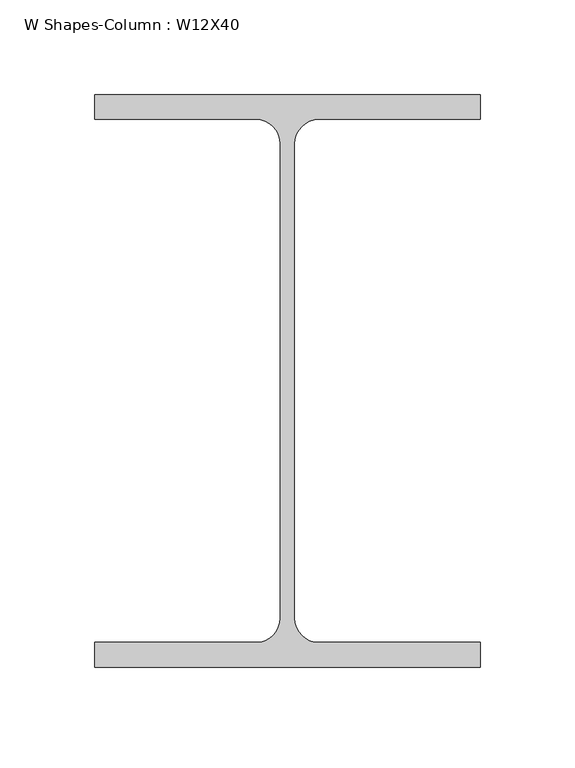
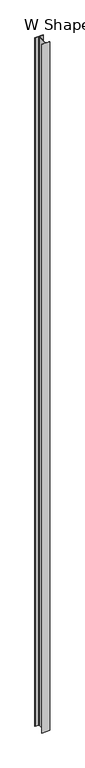
"""IFC4 building model written with IfcOpenShell, lengths in millimetres: column geometry, W Shapes-Column : W12X40."""

import ifcopenshell
import ifcopenshell.guid

model = None  # the IFC model being written
_history = None  # IfcOwnerHistory: only IFC2X3 demands one
_inside = {}  # id of a spatial element -> (the spatial element, [elements in it])
_under = {}  # id of a project, library or spatial element -> (it, [spatial elements below it])
_declared = {}  # id of a project -> (the project, [libraries it declares])
_typed = {}  # id of a type object -> (the type object, [elements of that type])
_made_of = {}  # id of a material, layer set ... -> (it, [elements and type objects made of it])


def new_model(schema):
    """Start an empty IFC model of exactly this schema.

    Asked for "IFC4X3", IfcOpenShell would pick the latest addendum, in which some entities
    have other attributes; the version numbers below select the first issue.
    IFC2X3 requires an IfcOwnerHistory on every rooted entity: one is made here for all.
    """
    global model, _history
    if schema == "IFC4X3":
        model = ifcopenshell.file(schema_version=(4, 3, 0, 0))
    else:
        model = ifcopenshell.file(schema=schema)
    _inside.clear()
    _under.clear()
    _declared.clear()
    _typed.clear()
    _made_of.clear()
    _history = None
    if model.schema == "IFC2X3":
        org = make("IfcOrganization", Name="unknown")
        user = make(
            "IfcPersonAndOrganization",
            ThePerson=make("IfcPerson", FamilyName="unknown"),
            TheOrganization=org,
        )
        app = make(
            "IfcApplication",
            ApplicationDeveloper=org,
            Version="unknown",
            ApplicationFullName="unknown",
            ApplicationIdentifier="unknown",
        )
        _history = make(
            "IfcOwnerHistory",
            OwningUser=user,
            OwningApplication=app,
            ChangeAction="ADDED",
            CreationDate=0,
        )
    return model


def make(cls, **values):
    """One entity of the class cls with the attributes given. An attribute that is None is left unset."""
    return model.create_entity(
        cls, **{name: value for name, value in values.items() if value is not None}
    )


def rooted(cls, **values):
    """An entity with a GlobalId (a new one), such as an element, a storey or a relation."""
    return make(cls, GlobalId=ifcopenshell.guid.new(), OwnerHistory=_history, **values)


def si_unit(unit_type, name, prefix=None):
    """IfcSIUnit, for example si_unit("LENGTHUNIT", "METRE", prefix="MILLI")."""
    return make("IfcSIUnit", UnitType=unit_type, Prefix=prefix, Name=name)


def assignment(units):
    """IfcUnitAssignment: the units of a project."""
    return None if units is None else make("IfcUnitAssignment", Units=units)


def point(xyz):
    """IfcCartesianPoint."""
    return None if xyz is None else make("IfcCartesianPoint", Coordinates=xyz)


def direction(xyz):
    """IfcDirection."""
    return None if xyz is None else make("IfcDirection", DirectionRatios=xyz)


def frame(location, z_axis=None, x_axis=None):
    """IfcAxis2Placement3D, a coordinate frame: its origin and axes. An axis left out is left unset."""
    return make(
        "IfcAxis2Placement3D",
        Location=point(location),
        Axis=direction(z_axis),
        RefDirection=direction(x_axis),
    )


def frame_2d(location, x_axis=None):
    """IfcAxis2Placement2D, a coordinate frame in the plane: its origin and x axis."""
    return make(
        "IfcAxis2Placement2D", Location=point(location), RefDirection=direction(x_axis)
    )


def origin():
    """The frame at (0, 0, 0) with its axes left unset."""
    return frame((0.0, 0.0, 0.0))


def origin_with_axes():
    """The frame at (0, 0, 0) with the z axis (0, 0, 1) and the x axis (1, 0, 0) written out."""
    return frame((0.0, 0.0, 0.0), z_axis=(0.0, 0.0, 1.0), x_axis=(1.0, 0.0, 0.0))


def place(relative_to, where):
    """IfcLocalPlacement: puts the frame where relative to a parent placement (None: the world)."""
    return make(
        "IfcLocalPlacement", PlacementRelTo=relative_to, RelativePlacement=where
    )


def context(
    kind, dimensions, precision=None, world=None, true_north=None, identifier=None
):
    """IfcGeometricRepresentationContext, for example the 3D "Model" context."""
    return make(
        "IfcGeometricRepresentationContext",
        ContextIdentifier=identifier,
        ContextType=kind,
        CoordinateSpaceDimension=dimensions,
        Precision=precision,
        WorldCoordinateSystem=world,
        TrueNorth=true_north,
    )


def project(units=None, contexts=None):
    """IfcProject with its units and contexts."""
    return rooted(
        "IfcProject",
        Name="project",
        RepresentationContexts=contexts,
        UnitsInContext=assignment(units),
    )


def spatial(cls, under=None, at=None, **own):
    """A site, building, storey or space (cls), placed at a placement, below another one or the project."""
    s = rooted(cls, ObjectPlacement=at, **own)
    if under is not None:
        _under.setdefault(under.id(), (under, []))[1].append(s)
    return s


def polyline(points):
    """IfcPolyline through the points."""
    return make("IfcPolyline", Points=[point(p) for p in points])


def circle_curve(where, radius):
    """IfcCircle in the frame where."""
    return make("IfcCircle", Position=where, Radius=radius)


def trimmed(basis, trim1, trim2, sense, master):
    """IfcTrimmedCurve: the piece of a basis curve between two trims."""
    return make(
        "IfcTrimmedCurve",
        BasisCurve=basis,
        Trim1=trim1,
        Trim2=trim2,
        SenseAgreement=sense,
        MasterRepresentation=master,
    )


def segment(curve, same_sense, transition):
    """IfcCompositeCurveSegment."""
    return make(
        "IfcCompositeCurveSegment",
        Transition=transition,
        SameSense=same_sense,
        ParentCurve=curve,
    )


def composite_curve(segments, self_intersect=None):
    """IfcCompositeCurve: segments joined end to end."""
    return make("IfcCompositeCurve", Segments=segments, SelfIntersect=self_intersect)


def outline(outer, holes=None, kind="AREA"):
    """IfcArbitraryClosedProfileDef: a profile drawn as a closed curve; with holes, ...WithVoids."""
    if holes is None:
        return make("IfcArbitraryClosedProfileDef", ProfileType=kind, OuterCurve=outer)
    return make(
        "IfcArbitraryProfileDefWithVoids",
        ProfileType=kind,
        OuterCurve=outer,
        InnerCurves=holes,
    )


def extrude(swept, where, along, depth):
    """IfcExtrudedAreaSolid: the profile swept, set in the frame where, extruded along a direction by depth."""
    return make(
        "IfcExtrudedAreaSolid",
        SweptArea=swept,
        Position=where,
        ExtrudedDirection=direction(along),
        Depth=depth,
    )


def shape(context_of_items, identifier, shape_type, items):
    """IfcShapeRepresentation: the items that make up one representation, for example the "Body"."""
    return make(
        "IfcShapeRepresentation",
        ContextOfItems=context_of_items,
        RepresentationIdentifier=identifier,
        RepresentationType=shape_type,
        Items=items,
    )


def source(mapping_origin, context_of_items, identifier, shape_type, items):
    """IfcRepresentationMap: a shape defined once, which mapped items show again and again."""
    return make(
        "IfcRepresentationMap",
        MappingOrigin=mapping_origin,
        MappedRepresentation=shape(context_of_items, identifier, shape_type, items),
    )


def transform(
    local_origin,
    x_axis=None,
    y_axis=None,
    z_axis=None,
    scale=None,
    scale2=None,
    scale3=None,
    uniform=True,
):
    """IfcCartesianTransformationOperator3D, or its non-uniform kind. x_axis, y_axis, z_axis: its Axis1, 2, 3."""
    if uniform:
        return make(
            "IfcCartesianTransformationOperator3D",
            Axis1=direction(x_axis),
            Axis2=direction(y_axis),
            LocalOrigin=point(local_origin),
            Scale=scale,
            Axis3=direction(z_axis),
        )
    return make(
        "IfcCartesianTransformationOperator3DnonUniform",
        Axis1=direction(x_axis),
        Axis2=direction(y_axis),
        LocalOrigin=point(local_origin),
        Scale=scale,
        Axis3=direction(z_axis),
        Scale2=scale2,
        Scale3=scale3,
    )


def mapped(mapping_source, mapping_target):
    """IfcMappedItem: shows the shape of a source again, moved by a transform."""
    return make(
        "IfcMappedItem", MappingSource=mapping_source, MappingTarget=mapping_target
    )


def made_of(thing, what):
    """Note that an element or type object is made of a material, layer set ...; save() writes the relation."""
    if what is not None:
        _made_of.setdefault(what.id(), (what, []))[1].append(thing)
    return thing


def element(
    cls,
    number,
    at=None,
    inside=None,
    cuts=None,
    type_object=None,
    material=None,
    context=None,
    identifier="Body",
    shape_type=None,
    held_by="IfcProductDefinitionShape",
    body=None,
    shapes=None,
    **own,
):
    """One element of the class cls, such as IfcWall. Its Tag is "e" and its number.

    at: its placement. inside: the storey or other place that contains it. cuts: it is an
    opening in that element (IfcRelVoidsElement). A single representation is given by context,
    identifier, shape_type and body (its items); several are given by shapes. held_by: the class
    of the entity that holds the representations. save() writes the other relations.
    """
    e = rooted(cls, Tag="e%d" % number, ObjectPlacement=at, **own)
    if body is not None:
        shapes = [shape(context, identifier, shape_type, body)]
    if shapes is not None:
        e.Representation = make(held_by, Representations=shapes)
    if inside is not None:
        _inside.setdefault(inside.id(), (inside, []))[1].append(e)
    if cuts is not None:
        rooted(
            "IfcRelVoidsElement", RelatingBuildingElement=cuts, RelatedOpeningElement=e
        )
    if type_object is not None:
        _typed.setdefault(type_object.id(), (type_object, []))[1].append(e)
    return made_of(e, material)


def aggregate(whole, parts):
    """IfcRelAggregates: a whole, such as a stair, and the parts it consists of."""
    return rooted("IfcRelAggregates", RelatingObject=whole, RelatedObjects=parts)


def save(model, path):
    """Write the relations noted so far, then the file.

    IfcRelAggregates (storeys below a building ...), IfcRelContainedInSpatialStructure (elements
    in a storey), IfcRelDefinesByType, IfcRelAssociatesMaterial and IfcRelDeclares: one each for
    every whole, place, type object, material and project.
    """
    for whole, parts in _under.values():
        aggregate(whole, parts)
    for where, things in _inside.values():
        rooted(
            "IfcRelContainedInSpatialStructure",
            RelatedElements=things,
            RelatingStructure=where,
        )
    for kind, things in _typed.values():
        rooted("IfcRelDefinesByType", RelatedObjects=things, RelatingType=kind)
    for what, things in _made_of.values():
        rooted("IfcRelAssociatesMaterial", RelatedObjects=things, RelatingMaterial=what)
    for by, libraries in _declared.values():
        rooted("IfcRelDeclares", RelatingContext=by, RelatedDefinitions=libraries)
    model.write(path)


def w_shapes_column_w12x40_aacbec59(model_context):
    return source(origin(), model_context, "Body", "SweptSolid", [
        extrude(outline(composite_curve([segment(polyline([(101.727, 151.13), (101.727, 138.049), (16.5735, 138.049)]), True, "CONTINUOUS"), segment(trimmed(circle_curve(frame_2d((16.5735, 125.222)), 12.827), [point((16.5735, 138.049))], [point((3.7465, 125.222))], True, "CARTESIAN"), True, "CONTINUOUS"), segment(polyline([(3.7465, 125.222), (3.7465, -125.222)]), True, "CONTINUOUS"), segment(trimmed(circle_curve(frame_2d((16.5735, -125.222)), 12.827), [point((3.7465, -125.222))], [point((16.5735, -138.049))], True, "CARTESIAN"), True, "CONTINUOUS"), segment(polyline([(16.5735, -138.049), (101.727, -138.049), (101.727, -151.13), (-101.727, -151.13), (-101.727, -138.049), (-16.5735, -138.049)]), True, "CONTINUOUS"), segment(trimmed(circle_curve(frame_2d((-16.5735, -125.222)), 12.827), [point((-16.5735, -138.049))], [point((-3.7465, -125.222))], True, "CARTESIAN"), True, "CONTINUOUS"), segment(polyline([(-3.7465, -125.222), (-3.7465, 125.222)]), True, "CONTINUOUS"), segment(trimmed(circle_curve(frame_2d((-16.5735, 125.222)), 12.827), [point((-3.7465, 125.222))], [point((-16.5735, 138.049))], True, "CARTESIAN"), True, "CONTINUOUS"), segment(polyline([(-16.5735, 138.049), (-101.727, 138.049), (-101.727, 151.13), (101.727, 151.13)]), True, "CONTINUOUS")], self_intersect=False)), origin_with_axes(), (0.0, 0.0, 1.0), 18288.0),
    ])


if __name__ == "__main__":
    model = new_model("IFC4")
    model_context = context("Model", 3, world=origin())
    ifc_project = project(units=[si_unit("LENGTHUNIT", "METRE", prefix="MILLI")], contexts=[model_context])
    site = spatial("IfcSite", under=ifc_project)
    building = spatial("IfcBuilding", under=site)
    placement = place(None, origin())
    w_shapes_column_w12x40_shape = w_shapes_column_w12x40_aacbec59(model_context)
    element("IfcColumn", 1, ObjectType="W Shapes-Column : W12X40", at=placement, inside=building, context=model_context, shape_type="MappedRepresentation", body=[
        mapped(w_shapes_column_w12x40_shape, transform((0.0, 0.0, 0.0), x_axis=(1.0, 0.0, 0.0), y_axis=(0.0, 1.0, 0.0), z_axis=(0.0, 0.0, 1.0))),
    ])
    save(model, "model.ifc")
